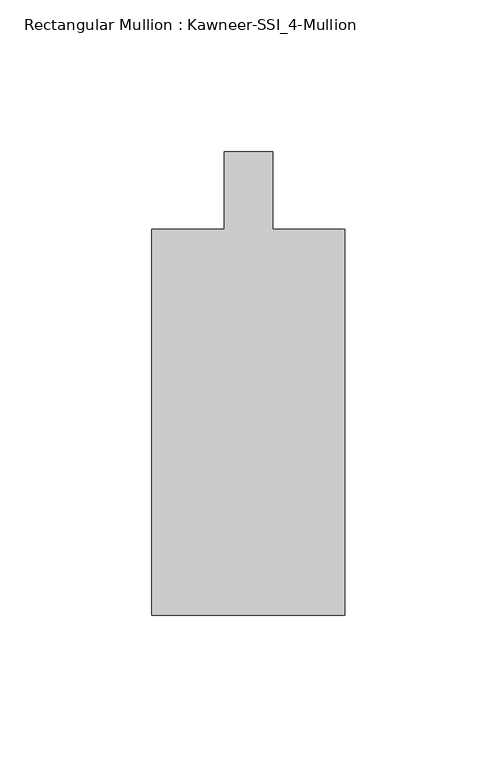
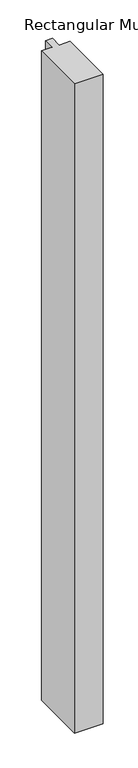
"""IFC4 building model written with IfcOpenShell, lengths in millimetres: member geometry, Rectangular Mullion : Kawneer-SSI_4-Mullion."""

from ifc_helpers import new_model, si_unit, frame, origin, place, context, project, spatial, polyline, outline, extrude, source, transform, mapped, element, save


def rectangular_mullion_kawneer_ssi_4_mullion_acfb7317(model_context):
    return source(origin(), model_context, "Body", "SweptSolid", [
        extrude(outline(polyline([(-31.75, -139.7), (-31.75, -12.7), (-7.9375, -12.7), (-7.9375, 12.7), (7.9375, 12.7), (7.9375, -12.7), (31.75, -12.7), (31.75, -139.7), (-31.75, -139.7)])), frame((0.0, 0.0, -1524.0), z_axis=(0.0, 0.0, 1.0), x_axis=(1.0, 0.0, 0.0)), (0.0, 0.0, 1.0), 1524.0),
    ])


if __name__ == "__main__":
    model = new_model("IFC4")
    model_context = context("Model", 3, world=origin())
    ifc_project = project(units=[si_unit("LENGTHUNIT", "METRE", prefix="MILLI")], contexts=[model_context])
    site = spatial("IfcSite", under=ifc_project)
    building = spatial("IfcBuilding", under=site)
    placement = place(None, origin())
    rectangular_mullion_kawneer_ssi_4_mullion_shape = rectangular_mullion_kawneer_ssi_4_mullion_acfb7317(model_context)
    element("IfcMember", 1, ObjectType="Rectangular Mullion : Kawneer-SSI_4-Mullion", at=placement, inside=building, context=model_context, shape_type="MappedRepresentation", body=[
        mapped(rectangular_mullion_kawneer_ssi_4_mullion_shape, transform((0.0, 0.0, 0.0), x_axis=(1.0, 0.0, 0.0), y_axis=(0.0, 1.0, 0.0), z_axis=(0.0, 0.0, 1.0))),
    ])
    save(model, "model.ifc")
